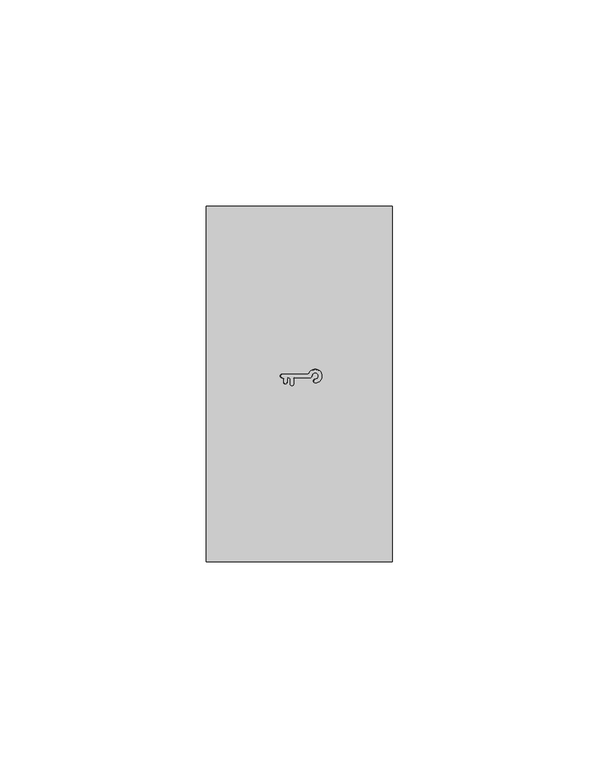
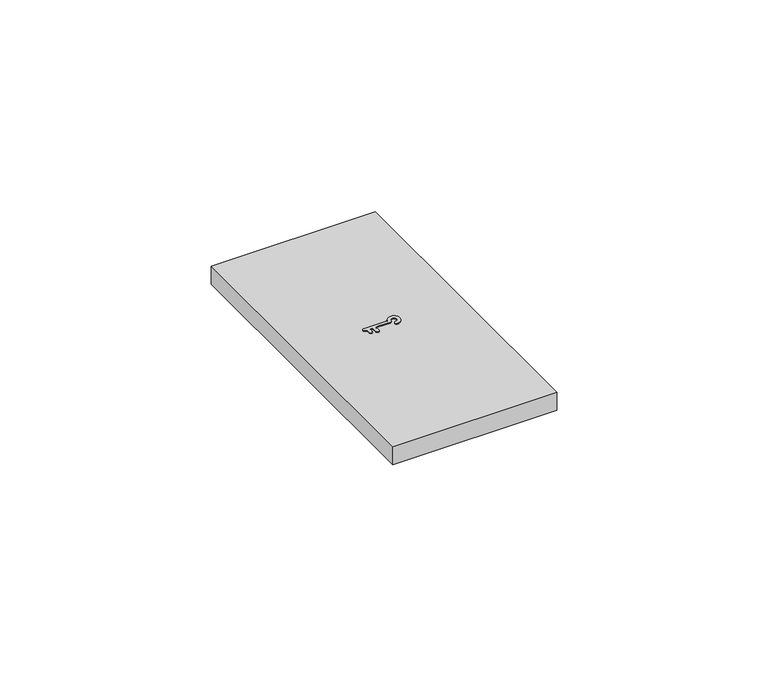
"""IFC4 building model written with IfcOpenShell, lengths in millimetres: proxy geometry."""

import ifcopenshell
import ifcopenshell.guid

model = None  # the IFC model being written
_history = None  # IfcOwnerHistory: only IFC2X3 demands one
_inside = {}  # id of a spatial element -> (the spatial element, [elements in it])
_under = {}  # id of a project, library or spatial element -> (it, [spatial elements below it])
_declared = {}  # id of a project -> (the project, [libraries it declares])
_typed = {}  # id of a type object -> (the type object, [elements of that type])
_made_of = {}  # id of a material, layer set ... -> (it, [elements and type objects made of it])


def new_model(schema):
    """Start an empty IFC model of exactly this schema.

    Asked for "IFC4X3", IfcOpenShell would pick the latest addendum, in which some entities
    have other attributes; the version numbers below select the first issue.
    IFC2X3 requires an IfcOwnerHistory on every rooted entity: one is made here for all.
    """
    global model, _history
    if schema == "IFC4X3":
        model = ifcopenshell.file(schema_version=(4, 3, 0, 0))
    else:
        model = ifcopenshell.file(schema=schema)
    _inside.clear()
    _under.clear()
    _declared.clear()
    _typed.clear()
    _made_of.clear()
    _history = None
    if model.schema == "IFC2X3":
        org = make("IfcOrganization", Name="unknown")
        user = make(
            "IfcPersonAndOrganization",
            ThePerson=make("IfcPerson", FamilyName="unknown"),
            TheOrganization=org,
        )
        app = make(
            "IfcApplication",
            ApplicationDeveloper=org,
            Version="unknown",
            ApplicationFullName="unknown",
            ApplicationIdentifier="unknown",
        )
        _history = make(
            "IfcOwnerHistory",
            OwningUser=user,
            OwningApplication=app,
            ChangeAction="ADDED",
            CreationDate=0,
        )
    return model


def make(cls, **values):
    """One entity of the class cls with the attributes given. An attribute that is None is left unset."""
    return model.create_entity(
        cls, **{name: value for name, value in values.items() if value is not None}
    )


def rooted(cls, **values):
    """An entity with a GlobalId (a new one), such as an element, a storey or a relation."""
    return make(cls, GlobalId=ifcopenshell.guid.new(), OwnerHistory=_history, **values)


def si_unit(unit_type, name, prefix=None):
    """IfcSIUnit, for example si_unit("LENGTHUNIT", "METRE", prefix="MILLI")."""
    return make("IfcSIUnit", UnitType=unit_type, Prefix=prefix, Name=name)


def assignment(units):
    """IfcUnitAssignment: the units of a project."""
    return None if units is None else make("IfcUnitAssignment", Units=units)


def point(xyz):
    """IfcCartesianPoint."""
    return None if xyz is None else make("IfcCartesianPoint", Coordinates=xyz)


def direction(xyz):
    """IfcDirection."""
    return None if xyz is None else make("IfcDirection", DirectionRatios=xyz)


def frame(location, z_axis=None, x_axis=None):
    """IfcAxis2Placement3D, a coordinate frame: its origin and axes. An axis left out is left unset."""
    return make(
        "IfcAxis2Placement3D",
        Location=point(location),
        Axis=direction(z_axis),
        RefDirection=direction(x_axis),
    )


def origin():
    """The frame at (0, 0, 0) with its axes left unset."""
    return frame((0.0, 0.0, 0.0))


def place(relative_to, where):
    """IfcLocalPlacement: puts the frame where relative to a parent placement (None: the world)."""
    return make(
        "IfcLocalPlacement", PlacementRelTo=relative_to, RelativePlacement=where
    )


def context(
    kind, dimensions, precision=None, world=None, true_north=None, identifier=None
):
    """IfcGeometricRepresentationContext, for example the 3D "Model" context."""
    return make(
        "IfcGeometricRepresentationContext",
        ContextIdentifier=identifier,
        ContextType=kind,
        CoordinateSpaceDimension=dimensions,
        Precision=precision,
        WorldCoordinateSystem=world,
        TrueNorth=true_north,
    )


def project(units=None, contexts=None):
    """IfcProject with its units and contexts."""
    return rooted(
        "IfcProject",
        Name="project",
        RepresentationContexts=contexts,
        UnitsInContext=assignment(units),
    )


def spatial(cls, under=None, at=None, **own):
    """A site, building, storey or space (cls), placed at a placement, below another one or the project."""
    s = rooted(cls, ObjectPlacement=at, **own)
    if under is not None:
        _under.setdefault(under.id(), (under, []))[1].append(s)
    return s


def polyline(points):
    """IfcPolyline through the points."""
    return make("IfcPolyline", Points=[point(p) for p in points])


def circle_curve(where, radius):
    """IfcCircle in the frame where."""
    return make("IfcCircle", Position=where, Radius=radius)


def outline(outer, holes=None, kind="AREA"):
    """IfcArbitraryClosedProfileDef: a profile drawn as a closed curve; with holes, ...WithVoids."""
    if holes is None:
        return make("IfcArbitraryClosedProfileDef", ProfileType=kind, OuterCurve=outer)
    return make(
        "IfcArbitraryProfileDefWithVoids",
        ProfileType=kind,
        OuterCurve=outer,
        InnerCurves=holes,
    )


def extrude(swept, where, along, depth):
    """IfcExtrudedAreaSolid: the profile swept, set in the frame where, extruded along a direction by depth."""
    return make(
        "IfcExtrudedAreaSolid",
        SweptArea=swept,
        Position=where,
        ExtrudedDirection=direction(along),
        Depth=depth,
    )


def shape(context_of_items, identifier, shape_type, items):
    """IfcShapeRepresentation: the items that make up one representation, for example the "Body"."""
    return make(
        "IfcShapeRepresentation",
        ContextOfItems=context_of_items,
        RepresentationIdentifier=identifier,
        RepresentationType=shape_type,
        Items=items,
    )


def source(mapping_origin, context_of_items, identifier, shape_type, items):
    """IfcRepresentationMap: a shape defined once, which mapped items show again and again."""
    return make(
        "IfcRepresentationMap",
        MappingOrigin=mapping_origin,
        MappedRepresentation=shape(context_of_items, identifier, shape_type, items),
    )


def transform(
    local_origin,
    x_axis=None,
    y_axis=None,
    z_axis=None,
    scale=None,
    scale2=None,
    scale3=None,
    uniform=True,
):
    """IfcCartesianTransformationOperator3D, or its non-uniform kind. x_axis, y_axis, z_axis: its Axis1, 2, 3."""
    if uniform:
        return make(
            "IfcCartesianTransformationOperator3D",
            Axis1=direction(x_axis),
            Axis2=direction(y_axis),
            LocalOrigin=point(local_origin),
            Scale=scale,
            Axis3=direction(z_axis),
        )
    return make(
        "IfcCartesianTransformationOperator3DnonUniform",
        Axis1=direction(x_axis),
        Axis2=direction(y_axis),
        LocalOrigin=point(local_origin),
        Scale=scale,
        Axis3=direction(z_axis),
        Scale2=scale2,
        Scale3=scale3,
    )


def mapped(mapping_source, mapping_target):
    """IfcMappedItem: shows the shape of a source again, moved by a transform."""
    return make(
        "IfcMappedItem", MappingSource=mapping_source, MappingTarget=mapping_target
    )


def made_of(thing, what):
    """Note that an element or type object is made of a material, layer set ...; save() writes the relation."""
    if what is not None:
        _made_of.setdefault(what.id(), (what, []))[1].append(thing)
    return thing


def element(
    cls,
    number,
    at=None,
    inside=None,
    cuts=None,
    type_object=None,
    material=None,
    context=None,
    identifier="Body",
    shape_type=None,
    held_by="IfcProductDefinitionShape",
    body=None,
    shapes=None,
    **own,
):
    """One element of the class cls, such as IfcWall. Its Tag is "e" and its number.

    at: its placement. inside: the storey or other place that contains it. cuts: it is an
    opening in that element (IfcRelVoidsElement). A single representation is given by context,
    identifier, shape_type and body (its items); several are given by shapes. held_by: the class
    of the entity that holds the representations. save() writes the other relations.
    """
    e = rooted(cls, Tag="e%d" % number, ObjectPlacement=at, **own)
    if body is not None:
        shapes = [shape(context, identifier, shape_type, body)]
    if shapes is not None:
        e.Representation = make(held_by, Representations=shapes)
    if inside is not None:
        _inside.setdefault(inside.id(), (inside, []))[1].append(e)
    if cuts is not None:
        rooted(
            "IfcRelVoidsElement", RelatingBuildingElement=cuts, RelatedOpeningElement=e
        )
    if type_object is not None:
        _typed.setdefault(type_object.id(), (type_object, []))[1].append(e)
    return made_of(e, material)


def aggregate(whole, parts):
    """IfcRelAggregates: a whole, such as a stair, and the parts it consists of."""
    return rooted("IfcRelAggregates", RelatingObject=whole, RelatedObjects=parts)


def save(model, path):
    """Write the relations noted so far, then the file.

    IfcRelAggregates (storeys below a building ...), IfcRelContainedInSpatialStructure (elements
    in a storey), IfcRelDefinesByType, IfcRelAssociatesMaterial and IfcRelDeclares: one each for
    every whole, place, type object, material and project.
    """
    for whole, parts in _under.values():
        aggregate(whole, parts)
    for where, things in _inside.values():
        rooted(
            "IfcRelContainedInSpatialStructure",
            RelatedElements=things,
            RelatingStructure=where,
        )
    for kind, things in _typed.values():
        rooted("IfcRelDefinesByType", RelatedObjects=things, RelatingType=kind)
    for what, things in _made_of.values():
        rooted("IfcRelAssociatesMaterial", RelatedObjects=things, RelatingMaterial=what)
    for by, libraries in _declared.values():
        rooted("IfcRelDeclares", RelatingContext=by, RelatedDefinitions=libraries)
    model.write(path)


def plane_surface(at):
    """IfcPlane: the flat surface through the origin of the frame at, square to its z axis."""
    return make("IfcPlane", Position=at)


def revolved_surface(curve, axis_point, axis_direction):
    """IfcSurfaceOfRevolution: the curve turned about the line through axis_point along axis_direction."""
    return make(
        "IfcSurfaceOfRevolution",
        SweptCurve=make("IfcArbitraryOpenProfileDef", ProfileType="CURVE", Curve=curve),
        AxisPosition=make("IfcAxis1Placement", Location=point(axis_point), Axis=direction(axis_direction)),
    )


def advanced_brep(points, edges, surfaces, faces):
    """IfcAdvancedBrep: a solid bounded by faces that lie on surfaces and meet in shared edges.

    An edge is (start, end): straight between two places in points (the first is 0);
    or (start, end, curve); or (start, end, curve, False) where it runs against its curve.
    A face is (place in surfaces, loops), or (place, loops, False) where it looks against
    its surface's normal. A loop lists edges by number (the first is 1), with a minus sign
    where the edge is run from its end to its start. The first loop is the outer one.
    """
    corners = [point(p) for p in points]
    vertices = [make("IfcVertexPoint", VertexGeometry=c) for c in corners]
    made = []
    for start, end, *more in edges:
        made.append(
            make(
                "IfcEdgeCurve",
                EdgeStart=vertices[start],
                EdgeEnd=vertices[end],
                EdgeGeometry=more[0] if more else make("IfcPolyline", Points=[corners[start], corners[end]]),
                SameSense=more[1] if len(more) > 1 else True,
            )
        )
    hull = []
    for where, loops, *sense in faces:
        bounds = []
        for j, loop in enumerate(loops):
            ring = [make("IfcOrientedEdge", EdgeElement=made[abs(k) - 1], Orientation=k > 0) for k in loop]
            bounds.append(
                make(
                    "IfcFaceOuterBound" if j == 0 else "IfcFaceBound",
                    Bound=make("IfcEdgeLoop", EdgeList=ring),
                    Orientation=True,
                )
            )
        hull.append(make("IfcAdvancedFace", Bounds=bounds, FaceSurface=surfaces[where], SameSense=sense[0] if sense else True))
    return make("IfcAdvancedBrep", Outer=make("IfcClosedShell", CfsFaces=hull))


def electrical_fixtures_b4777b51(model_context):
    return source(origin(), model_context, "Body", "SolidModel", [
        advanced_brep(
        [(21.1175904, 44.1361393, 10.9428782), (21.5003539, 44.5189027, 10.9428782), (25.0542058, 44.5189027, 10.9428782), (25.5699104, 44.996361, 10.9428782), (26.3431352, 44.1534091, 10.9428782), (26.3354287, 43.3189716, 10.9428782), (24.8891707, 45.6292465, 10.9428782), (24.4529873, 45.3533758, 10.9428782), (18.3003539, 45.3533758, 10.9428782), (18.3003539, 44.5189027, 10.9428782), (18.6831174, 44.1361393, 10.9428782), (18.6831174, 43.4361393, 10.9428782), (19.5175904, 43.4361393, 10.9428782), (19.5175904, 44.1361393, 10.9428782), (20.2831174, 44.1361393, 10.9428782), (20.2831174, 43.0361393, 10.9428782), (21.1175904, 43.0361393, 10.9428782), (18.3003539, 44.4976852, 10.7003609), (18.3003539, 45.3745933, 10.7003609), (24.4529873, 45.3745933, 10.7003609), (24.8700004, 45.6383395, 10.7003609), (26.3352329, 43.297755, 10.7003609), (26.3433313, 44.1746257, 10.7003609), (25.5910651, 44.9947286, 10.7003609), (25.0542058, 44.4976852, 10.7003609), (21.5003539, 44.4976852, 10.7003609), (21.1388079, 44.1361393, 10.7003609), (21.1388079, 43.0361393, 10.7003609), (20.2618999, 43.0361393, 10.7003609), (20.2618999, 44.1361393, 10.7003609), (19.5388079, 44.1361393, 10.7003609), (19.5388079, 43.4361393, 10.7003609), (18.6618999, 43.4361393, 10.7003609), (18.6618999, 44.1361393, 10.7003609)],
        [
            (0, 1, circle_curve(frame((21.5003539, 44.1361393, 10.9428782), z_axis=(0.0, 0.0, -1.0), x_axis=(0.0, 1.0000000000000002, 0.0)), 0.3827635)),
            (1, 2),
            (2, 3, circle_curve(frame((25.0542058, 45.0361393, 10.9428782), z_axis=(0.0, 0.0, 1.0), x_axis=(0.0, -1.0000000000000002, 0.0)), 0.5172365)),
            (3, 4, circle_curve(frame((26.3503539, 44.9361393, 10.9428782), z_axis=(0.0, 0.0, -1.0), x_axis=(-0.009222468091146645, -0.9999574721368446, 0.0)), 0.7827635)),
            (4, 5, circle_curve(frame((26.3392793, 43.7361904, 10.9428782), z_axis=(0.0, 0.0, 1.0), x_axis=(0.009241493622568124, 0.999957296486017, 0.0)), 0.4172365)),
            (5, 6, circle_curve(frame((26.3503539, 44.9361393, 10.9428782), z_axis=(0.0, 0.0, 1.0), x_axis=(-0.009228809935326347, -0.9999574136267894, 0.0)), 1.6172365)),
            (6, 7, circle_curve(frame((24.4529873, 45.8361393, 10.9428782), z_axis=(0.0, 0.0, -1.0), x_axis=(0.0, -1.0000000000000002, 0.0)), 0.4827635)),
            (7, 8),
            (8, 9, circle_curve(frame((18.3003539, 44.9361393, 10.9428782), z_axis=(0.0, 0.0, 1.0), x_axis=(-1.0000000000000002, 0.0, 0.0)), 0.4172365)),
            (9, 10, circle_curve(frame((18.3003539, 44.1361393, 10.9428782), z_axis=(0.0, 0.0, -1.0), x_axis=(1.0000000000000002, 0.0, 0.0)), 0.3827635)),
            (10, 11),
            (11, 12, circle_curve(frame((19.1003539, 43.4361393, 10.9428782), z_axis=(0.0, 0.0, 1.0), x_axis=(0.0, -1.0000000000000002, 0.0)), 0.4172365)),
            (12, 13),
            (13, 14, circle_curve(frame((19.9003539, 44.1361393, 10.9428782), z_axis=(0.0, 0.0, -1.0), x_axis=(1.0000000000000002, 0.0, 0.0)), 0.3827635)),
            (14, 15),
            (15, 16, circle_curve(frame((20.7003539, 43.0361393, 10.9428782), z_axis=(0.0, 0.0, 1.0), x_axis=(0.0, -1.0000000000000002, 0.0)), 0.4172365)),
            (16, 0),
            (17, 18, circle_curve(frame((18.3003539, 44.9361393, 10.7003609), z_axis=(0.0, 0.0, -1.0), x_axis=(-1.0000000000000002, 0.0, 0.0)), 0.438454)),
            (18, 19),
            (19, 20, circle_curve(frame((24.4529873, 45.8361393, 10.7003609), z_axis=(0.0, 0.0, 1.0), x_axis=(0.0, -1.0000000000000002, 0.0)), 0.461546)),
            (20, 21, circle_curve(frame((26.3503539, 44.9361393, 10.7003609), z_axis=(0.0, 0.0, -1.0), x_axis=(-0.009228809935326347, -0.9999574136267894, 0.0)), 1.638454)),
            (21, 22, circle_curve(frame((26.3392793, 43.7361904, 10.7003609), z_axis=(0.0, 0.0, -1.0), x_axis=(0.009241493622568124, 0.999957296486017, 0.0)), 0.438454)),
            (22, 23, circle_curve(frame((26.3503539, 44.9361393, 10.7003609), z_axis=(0.0, 0.0, 1.0), x_axis=(-0.009222468091146645, -0.9999574721368446, 0.0)), 0.761546)),
            (23, 24, circle_curve(frame((25.0542058, 45.0361393, 10.7003609), z_axis=(0.0, 0.0, -1.0), x_axis=(0.0, -1.0000000000000002, 0.0)), 0.538454)),
            (24, 25),
            (25, 26, circle_curve(frame((21.5003539, 44.1361393, 10.7003609), z_axis=(0.0, 0.0, 1.0), x_axis=(0.0, 1.0000000000000002, 0.0)), 0.361546)),
            (26, 27),
            (27, 28, circle_curve(frame((20.7003539, 43.0361393, 10.7003609), z_axis=(0.0, 0.0, -1.0), x_axis=(0.0, -1.0000000000000002, 0.0)), 0.438454)),
            (28, 29),
            (29, 30, circle_curve(frame((19.9003539, 44.1361393, 10.7003609), z_axis=(0.0, 0.0, 1.0), x_axis=(1.0000000000000002, 0.0, 0.0)), 0.361546)),
            (30, 31),
            (31, 32, circle_curve(frame((19.1003539, 43.4361393, 10.7003609), z_axis=(0.0, 0.0, -1.0), x_axis=(0.0, -1.0000000000000002, 0.0)), 0.438454)),
            (32, 33),
            (33, 17, circle_curve(frame((18.3003539, 44.1361393, 10.7003609), z_axis=(0.0, 0.0, 1.0), x_axis=(1.0000000000000002, 0.0, 0.0)), 0.361546)),
            (25, 1),
            (0, 26),
            (16, 27),
            (28, 15),
            (14, 29),
            (30, 13),
            (12, 31),
            (32, 11),
            (10, 33),
            (9, 17),
            (18, 8),
            (7, 19),
            (6, 20),
            (5, 21),
            (4, 22),
            (3, 23),
            (2, 24),
        ],
        [
            plane_surface(frame((22.9003539, 44.5361393, 10.9428782), z_axis=(0.0, 0.0, 1.0), x_axis=(1.0, 0.0, 0.0))),
            plane_surface(frame((22.9003539, 44.5361393, 10.7003609), z_axis=(0.0, 0.0, -1.0), x_axis=(1.0, 0.0, 0.0))),
            revolved_surface(polyline([(21.5003539, 44.5189027, 10.9428782), (21.5003539, 44.49768518951017, 10.7003609)]), (21.5003539, 44.1361393, 6.5678717), (0.0, 0.0, 1.0)),
            plane_surface(frame((21.1003539, 43.5861393, 11.1398926), z_axis=(0.9961946980917439, 0.0, 0.0871557427476776), x_axis=(0.0, -1.0, 0.0))),
            plane_surface(frame((20.3003539, 44.5361393, 11.1398926), z_axis=(-0.9961946980917439, 0.0, 0.0871557427476776), x_axis=(0.0, 1.0, 0.0))),
            plane_surface(frame((19.5003539, 43.7861393, 11.1398926), z_axis=(0.9961946980917439, 0.0, 0.0871557427476776), x_axis=(0.0, -1.0, 0.0))),
            plane_surface(frame((18.7003539, 44.5361393, 11.1398926), z_axis=(-0.9961946980917439, 0.0, 0.0871557427476776), x_axis=(0.0, 1.0, 0.0))),
            revolved_surface(polyline([(18.6831174, 44.1361393, 10.9428782), (18.661899883966928, 44.1361393, 10.7003609)]), (18.3003539, 44.1361393, 6.5678717), (0.0, 0.0, 1.0)),
            plane_surface(frame((22.9003539, 45.3361393, 11.1398926), z_axis=(0.0, 0.9961946980917439, 0.0871557427476776), x_axis=(1.0, 0.0, 0.0))),
            revolved_surface(polyline([(24.4529873, 45.3533758, 10.9428782), (24.4529873, 45.37459331543891, 10.7003609)]), (24.4529873, 45.8361393, 5.4248664), (0.0, 0.0, 1.0)),
            revolved_surface(polyline([(24.88917055734238, 45.62924620686437, 10.942878199999999), (24.8700004, 45.6383395, 10.7003609)]), (26.3503539, 44.9361393, 29.4279763), (0.0, 0.0, -1.0)),
            revolved_surface(polyline([(26.335428711973066, 43.31897161247902, 10.9428782), (26.3352329, 43.297755, 10.7003609)]), (26.3392793, 43.7361904, 15.7119135), (0.0, 0.0, -1.0)),
            revolved_surface(polyline([(26.3431352, 44.1534091, 10.9428782), (26.34333086941462, 44.174625712414844, 10.7003609)]), (26.3503539, 44.9361393, 1.9958507), (0.0, 0.0, 1.0)),
            revolved_surface(polyline([(25.56991042534313, 44.99636036811096, 10.9428782), (25.5910651, 44.9947286, 10.7003609)]), (25.0542058, 45.0361393, 16.8549187), (0.0, 0.0, -1.0)),
            plane_surface(frame((22.9003539, 44.5361393, 11.1398926), z_axis=(0.0, -0.9961946980917439, 0.0871557427476776), x_axis=(1.0, 0.0, 0.0))),
            revolved_surface(polyline([(18.3003539, 44.518902717402874, 10.9428782), (18.3003539, 44.4976852, 10.7003609)]), (18.3003539, 44.9361393, 15.7119135), (0.0, 0.0, -1.0)),
            revolved_surface(polyline([(19.517590387436286, 43.4361393, 10.9428782), (19.5388079, 43.4361393, 10.7003609)]), (19.1003539, 43.4361393, 15.7119135), (0.0, 0.0, -1.0)),
            revolved_surface(polyline([(20.2831174, 44.1361393, 10.9428782), (20.261899883966926, 44.1361393, 10.7003609)]), (19.9003539, 44.1361393, 6.5678717), (0.0, 0.0, 1.0)),
            revolved_surface(polyline([(21.117590387436287, 43.0361393, 10.9428782), (21.1388079, 43.0361393, 10.7003609)]), (20.7003539, 43.0361393, 15.7119135), (0.0, 0.0, -1.0)),
        ],
        [
            (0, [[1, 2, 3, 4, 5, 6, 7, 8, 9, 10, 11, 12, 13, 14, 15, 16, 17]]),
            (1, [[18, 19, 20, 21, 22, 23, 24, 25, 26, 27, 28, 29, 30, 31, 32, 33, 34]]),
            (2, [[35, -1, 36, -26]]),
            (3, [[-27, -36, -17, 37]]),
            (4, [[-29, 38, -15, 39]]),
            (5, [[-31, 40, -13, 41]]),
            (6, [[42, -11, 43, -33]]),
            (7, [[-43, -10, 44, -34]]),
            (8, [[-19, 45, -8, 46]]),
            (9, [[-46, -7, 47, -20]]),
            (10, [[-47, -6, 48, -21]]),
            (11, [[-48, -5, 49, -22]]),
            (12, [[-49, -4, 50, -23]]),
            (13, [[-50, -3, 51, -24]]),
            (14, [[-51, -2, -35, -25]]),
            (15, [[-44, -9, -45, -18]]),
            (16, [[-41, -12, -42, -32]]),
            (17, [[-39, -14, -40, -30]]),
            (18, [[-37, -16, -38, -28]]),
        ],
    ),
        extrude(outline(polyline([(0.0, 0.0), (0.0, 86.0), (45.0, 86.0), (45.0, 0.0), (0.0, 0.0)])), frame((0.0, 0.0, 5.5), z_axis=(0.0, 0.0, 1.0), x_axis=(1.0, 0.0, 0.0)), (0.0, 0.0, 1.0), 5.2),
    ])


if __name__ == "__main__":
    model = new_model("IFC4")
    model_context = context("Model", 3, world=origin())
    ifc_project = project(units=[si_unit("LENGTHUNIT", "METRE", prefix="MILLI")], contexts=[model_context])
    site = spatial("IfcSite", under=ifc_project)
    building = spatial("IfcBuilding", under=site)
    placement = place(None, origin())
    electrical_fixtures_shape = electrical_fixtures_b4777b51(model_context)
    element("IfcBuildingElementProxy", 1, Name="Electrical Fixtures", at=placement, inside=building, context=model_context, shape_type="MappedRepresentation", body=[
        mapped(electrical_fixtures_shape, transform((0.0, 0.0, 0.0), x_axis=(1.0, 0.0, 0.0), y_axis=(0.0, 1.0, 0.0), z_axis=(0.0, 0.0, 1.0))),
    ])
    save(model, "model.ifc")
